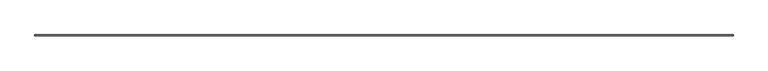
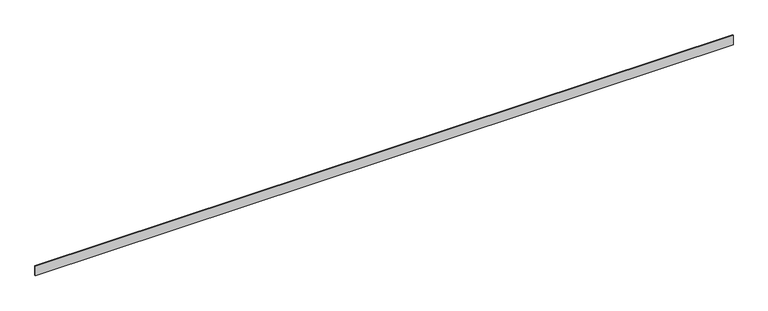
"""IFC4 building model written with IfcOpenShell, lengths in millimetres: furniture geometry."""

from ifc_helpers import new_model, si_unit, origin, origin_with_axes, place, context, project, spatial, polyline, outline, extrude, source, transform, mapped, element, save


def furniture_56af1e3e(model_context):
    return source(origin(), model_context, "Body", "SweptSolid", [
        extrude(outline(polyline([(0.0, 0.0), (0.0, 10.0), (6978.6070005, 10.0), (6978.6070005, 0.0), (0.0, 0.0)])), origin_with_axes(), (0.0, 0.0, 1.0), 100.0),
    ])


if __name__ == "__main__":
    model = new_model("IFC4")
    model_context = context("Model", 3, world=origin())
    ifc_project = project(units=[si_unit("LENGTHUNIT", "METRE", prefix="MILLI")], contexts=[model_context])
    site = spatial("IfcSite", under=ifc_project)
    building = spatial("IfcBuilding", under=site)
    placement = place(None, origin())
    furniture_shape = furniture_56af1e3e(model_context)
    element("IfcFurniture", 1, at=placement, inside=building, context=model_context, shape_type="MappedRepresentation", body=[
        mapped(furniture_shape, transform((0.0, 0.0, 0.0), x_axis=(1.0, 0.0, 0.0), y_axis=(0.0, 1.0, 0.0), z_axis=(0.0, 0.0, 1.0))),
    ])
    save(model, "model.ifc")
